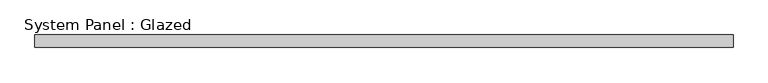
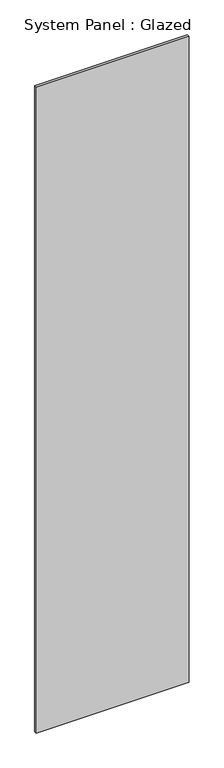
"""IFC4 building model written with IfcOpenShell, lengths in millimetres: plate geometry, System Panel : Glazed."""

from ifc_helpers import new_model, si_unit, origin, origin_with_axes, place, context, project, spatial, polyline, outline, extrude, source, transform, mapped, element, save


def system_panel_glazed_8544d869(model_context):
    return source(origin(), model_context, "Body", "SweptSolid", [
        extrude(outline(polyline([(709.8701621, 19.05), (-709.8701621, 19.05), (-709.8701621, 44.45), (709.8701621, 44.45), (709.8701621, 19.05)])), origin_with_axes(), (0.0, 0.0, 1.0), 6336.5),
    ])


if __name__ == "__main__":
    model = new_model("IFC4")
    model_context = context("Model", 3, world=origin())
    ifc_project = project(units=[si_unit("LENGTHUNIT", "METRE", prefix="MILLI")], contexts=[model_context])
    site = spatial("IfcSite", under=ifc_project)
    building = spatial("IfcBuilding", under=site)
    placement = place(None, origin())
    system_panel_glazed_shape = system_panel_glazed_8544d869(model_context)
    element("IfcPlate", 1, ObjectType="System Panel : Glazed", at=placement, inside=building, context=model_context, shape_type="MappedRepresentation", body=[
        mapped(system_panel_glazed_shape, transform((0.0, 0.0, 0.0), x_axis=(1.0, 0.0, 0.0), y_axis=(0.0, 1.0, 0.0), z_axis=(0.0, 0.0, 1.0))),
    ])
    save(model, "model.ifc")
